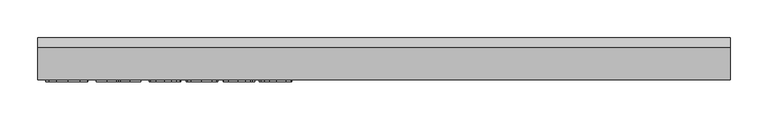
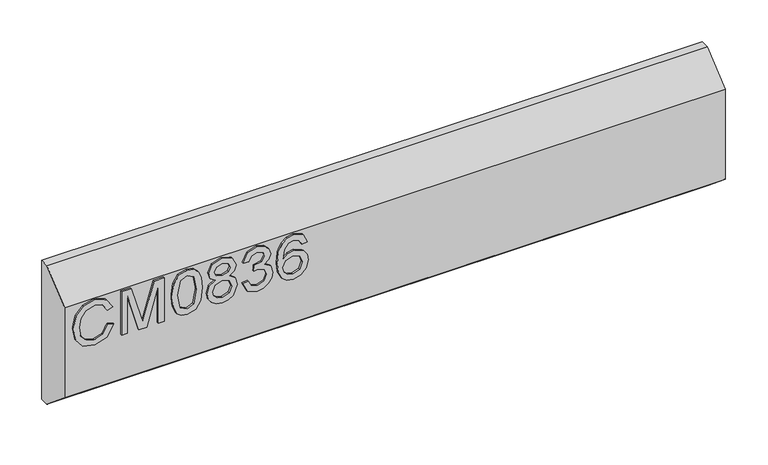
"""IFC4 building model written with IfcOpenShell, lengths in millimetres: furniture geometry."""

import ifcopenshell
import ifcopenshell.guid

model = None  # the IFC model being written
_history = None  # IfcOwnerHistory: only IFC2X3 demands one
_inside = {}  # id of a spatial element -> (the spatial element, [elements in it])
_under = {}  # id of a project, library or spatial element -> (it, [spatial elements below it])
_declared = {}  # id of a project -> (the project, [libraries it declares])
_typed = {}  # id of a type object -> (the type object, [elements of that type])
_made_of = {}  # id of a material, layer set ... -> (it, [elements and type objects made of it])


def new_model(schema):
    """Start an empty IFC model of exactly this schema.

    Asked for "IFC4X3", IfcOpenShell would pick the latest addendum, in which some entities
    have other attributes; the version numbers below select the first issue.
    IFC2X3 requires an IfcOwnerHistory on every rooted entity: one is made here for all.
    """
    global model, _history
    if schema == "IFC4X3":
        model = ifcopenshell.file(schema_version=(4, 3, 0, 0))
    else:
        model = ifcopenshell.file(schema=schema)
    _inside.clear()
    _under.clear()
    _declared.clear()
    _typed.clear()
    _made_of.clear()
    _history = None
    if model.schema == "IFC2X3":
        org = make("IfcOrganization", Name="unknown")
        user = make(
            "IfcPersonAndOrganization",
            ThePerson=make("IfcPerson", FamilyName="unknown"),
            TheOrganization=org,
        )
        app = make(
            "IfcApplication",
            ApplicationDeveloper=org,
            Version="unknown",
            ApplicationFullName="unknown",
            ApplicationIdentifier="unknown",
        )
        _history = make(
            "IfcOwnerHistory",
            OwningUser=user,
            OwningApplication=app,
            ChangeAction="ADDED",
            CreationDate=0,
        )
    return model


def make(cls, **values):
    """One entity of the class cls with the attributes given. An attribute that is None is left unset."""
    return model.create_entity(
        cls, **{name: value for name, value in values.items() if value is not None}
    )


def rooted(cls, **values):
    """An entity with a GlobalId (a new one), such as an element, a storey or a relation."""
    return make(cls, GlobalId=ifcopenshell.guid.new(), OwnerHistory=_history, **values)


def si_unit(unit_type, name, prefix=None):
    """IfcSIUnit, for example si_unit("LENGTHUNIT", "METRE", prefix="MILLI")."""
    return make("IfcSIUnit", UnitType=unit_type, Prefix=prefix, Name=name)


def assignment(units):
    """IfcUnitAssignment: the units of a project."""
    return None if units is None else make("IfcUnitAssignment", Units=units)


def point(xyz):
    """IfcCartesianPoint."""
    return None if xyz is None else make("IfcCartesianPoint", Coordinates=xyz)


def direction(xyz):
    """IfcDirection."""
    return None if xyz is None else make("IfcDirection", DirectionRatios=xyz)


def frame(location, z_axis=None, x_axis=None):
    """IfcAxis2Placement3D, a coordinate frame: its origin and axes. An axis left out is left unset."""
    return make(
        "IfcAxis2Placement3D",
        Location=point(location),
        Axis=direction(z_axis),
        RefDirection=direction(x_axis),
    )


def origin():
    """The frame at (0, 0, 0) with its axes left unset."""
    return frame((0.0, 0.0, 0.0))


def place(relative_to, where):
    """IfcLocalPlacement: puts the frame where relative to a parent placement (None: the world)."""
    return make(
        "IfcLocalPlacement", PlacementRelTo=relative_to, RelativePlacement=where
    )


def context(
    kind, dimensions, precision=None, world=None, true_north=None, identifier=None
):
    """IfcGeometricRepresentationContext, for example the 3D "Model" context."""
    return make(
        "IfcGeometricRepresentationContext",
        ContextIdentifier=identifier,
        ContextType=kind,
        CoordinateSpaceDimension=dimensions,
        Precision=precision,
        WorldCoordinateSystem=world,
        TrueNorth=true_north,
    )


def project(units=None, contexts=None):
    """IfcProject with its units and contexts."""
    return rooted(
        "IfcProject",
        Name="project",
        RepresentationContexts=contexts,
        UnitsInContext=assignment(units),
    )


def spatial(cls, under=None, at=None, **own):
    """A site, building, storey or space (cls), placed at a placement, below another one or the project."""
    s = rooted(cls, ObjectPlacement=at, **own)
    if under is not None:
        _under.setdefault(under.id(), (under, []))[1].append(s)
    return s


def polyline(points):
    """IfcPolyline through the points."""
    return make("IfcPolyline", Points=[point(p) for p in points])


def outline(outer, holes=None, kind="AREA"):
    """IfcArbitraryClosedProfileDef: a profile drawn as a closed curve; with holes, ...WithVoids."""
    if holes is None:
        return make("IfcArbitraryClosedProfileDef", ProfileType=kind, OuterCurve=outer)
    return make(
        "IfcArbitraryProfileDefWithVoids",
        ProfileType=kind,
        OuterCurve=outer,
        InnerCurves=holes,
    )


def extrude(swept, where, along, depth):
    """IfcExtrudedAreaSolid: the profile swept, set in the frame where, extruded along a direction by depth."""
    return make(
        "IfcExtrudedAreaSolid",
        SweptArea=swept,
        Position=where,
        ExtrudedDirection=direction(along),
        Depth=depth,
    )


def shape(context_of_items, identifier, shape_type, items):
    """IfcShapeRepresentation: the items that make up one representation, for example the "Body"."""
    return make(
        "IfcShapeRepresentation",
        ContextOfItems=context_of_items,
        RepresentationIdentifier=identifier,
        RepresentationType=shape_type,
        Items=items,
    )


def source(mapping_origin, context_of_items, identifier, shape_type, items):
    """IfcRepresentationMap: a shape defined once, which mapped items show again and again."""
    return make(
        "IfcRepresentationMap",
        MappingOrigin=mapping_origin,
        MappedRepresentation=shape(context_of_items, identifier, shape_type, items),
    )


def transform(
    local_origin,
    x_axis=None,
    y_axis=None,
    z_axis=None,
    scale=None,
    scale2=None,
    scale3=None,
    uniform=True,
):
    """IfcCartesianTransformationOperator3D, or its non-uniform kind. x_axis, y_axis, z_axis: its Axis1, 2, 3."""
    if uniform:
        return make(
            "IfcCartesianTransformationOperator3D",
            Axis1=direction(x_axis),
            Axis2=direction(y_axis),
            LocalOrigin=point(local_origin),
            Scale=scale,
            Axis3=direction(z_axis),
        )
    return make(
        "IfcCartesianTransformationOperator3DnonUniform",
        Axis1=direction(x_axis),
        Axis2=direction(y_axis),
        LocalOrigin=point(local_origin),
        Scale=scale,
        Axis3=direction(z_axis),
        Scale2=scale2,
        Scale3=scale3,
    )


def mapped(mapping_source, mapping_target):
    """IfcMappedItem: shows the shape of a source again, moved by a transform."""
    return make(
        "IfcMappedItem", MappingSource=mapping_source, MappingTarget=mapping_target
    )


def made_of(thing, what):
    """Note that an element or type object is made of a material, layer set ...; save() writes the relation."""
    if what is not None:
        _made_of.setdefault(what.id(), (what, []))[1].append(thing)
    return thing


def element(
    cls,
    number,
    at=None,
    inside=None,
    cuts=None,
    type_object=None,
    material=None,
    context=None,
    identifier="Body",
    shape_type=None,
    held_by="IfcProductDefinitionShape",
    body=None,
    shapes=None,
    **own,
):
    """One element of the class cls, such as IfcWall. Its Tag is "e" and its number.

    at: its placement. inside: the storey or other place that contains it. cuts: it is an
    opening in that element (IfcRelVoidsElement). A single representation is given by context,
    identifier, shape_type and body (its items); several are given by shapes. held_by: the class
    of the entity that holds the representations. save() writes the other relations.
    """
    e = rooted(cls, Tag="e%d" % number, ObjectPlacement=at, **own)
    if body is not None:
        shapes = [shape(context, identifier, shape_type, body)]
    if shapes is not None:
        e.Representation = make(held_by, Representations=shapes)
    if inside is not None:
        _inside.setdefault(inside.id(), (inside, []))[1].append(e)
    if cuts is not None:
        rooted(
            "IfcRelVoidsElement", RelatingBuildingElement=cuts, RelatedOpeningElement=e
        )
    if type_object is not None:
        _typed.setdefault(type_object.id(), (type_object, []))[1].append(e)
    return made_of(e, material)


def aggregate(whole, parts):
    """IfcRelAggregates: a whole, such as a stair, and the parts it consists of."""
    return rooted("IfcRelAggregates", RelatingObject=whole, RelatedObjects=parts)


def save(model, path):
    """Write the relations noted so far, then the file.

    IfcRelAggregates (storeys below a building ...), IfcRelContainedInSpatialStructure (elements
    in a storey), IfcRelDefinesByType, IfcRelAssociatesMaterial and IfcRelDeclares: one each for
    every whole, place, type object, material and project.
    """
    for whole, parts in _under.values():
        aggregate(whole, parts)
    for where, things in _inside.values():
        rooted(
            "IfcRelContainedInSpatialStructure",
            RelatedElements=things,
            RelatingStructure=where,
        )
    for kind, things in _typed.values():
        rooted("IfcRelDefinesByType", RelatedObjects=things, RelatingType=kind)
    for what, things in _made_of.values():
        rooted("IfcRelAssociatesMaterial", RelatedObjects=things, RelatingMaterial=what)
    for by, libraries in _declared.values():
        rooted("IfcRelDeclares", RelatingContext=by, RelatedDefinitions=libraries)
    model.write(path)


def furniture_3e6e2105(model_context):
    return source(origin(), model_context, "Body", "SweptSolid", [
        extrude(outline(polyline([(276.6752652, -246.6208225), (264.9327171, -253.3875826), (260.9770047, -265.5895539), (263.8814943, -276.5923526), (272.657258, -284.0832884), (286.3932359, -286.4894206), (298.2447997, -284.4570565), (307.4021183, -277.4099703), (310.8127523, -264.9354597), (307.7369522, -254.1584793), (297.9333263, -247.6175374), (299.8333141, -239.6438178), (313.8184708, -248.6531866), (318.7864719, -264.6239863), (314.947562, -279.9484787), (303.7111582, -290.6865249), (286.3776623, -294.4631402), (269.3244924, -291.1225877), (257.1926026, -281.3890433), (253.003285, -264.7952967), (258.5397251, -248.1003212), (274.6195406, -238.6471029), (276.6752652, -246.6208225)])), frame((0.0, -48.4187439, 0.0), z_axis=(0.0, 1.0, 0.0), x_axis=(0.0, 0.0, 1.0)), (0.0, 0.0, 1.0), 2.38125),
        extrude(outline(polyline([(254.0, -227.6832384), (254.0, -219.7095188), (309.8160373, -219.7095188), (254.0, -203.6842112), (254.0, -192.8760834), (309.8160373, -176.8507758), (254.0, -176.8507758), (254.0, -168.8770562), (317.7897569, -168.8770562), (317.7897569, -182.5974605), (273.607252, -195.4301655), (263.4376447, -198.2801473), (272.8285684, -200.9120977), (317.7897569, -213.9628341), (317.7897569, -227.6832384), (254.0, -227.6832384)])), frame((0.0, -48.4187439, 0.0), z_axis=(0.0, 1.0, 0.0), x_axis=(0.0, 0.0, 1.0)), (0.0, 0.0, 1.0), 2.38125),
        extrude(outline(polyline([(285.3809473, -157.9131917), (269.8656775, -156.3246773), (259.0770168, -151.5591339), (254.521718, -145.2673708), (253.003285, -136.9821777), (256.4995742, -125.3097112), (267.1052443, -118.3716407), (285.3809473, -116.0511637), (300.3706058, -117.4995152), (309.8082505, -121.2371962), (315.7340324, -127.6691224), (317.7897569, -136.9821777), (314.3168283, -148.6079232), (303.7345188, -155.5693542), (285.3809473, -157.9131917)]), holes=[polyline([(285.396521, -149.9394721), (305.5488514, -146.0772017), (309.8160373, -137.0756198), (304.9726256, -127.6379751), (285.396521, -124.0248834), (265.6101718, -127.7625644), (260.9770047, -136.9821777), (265.5945982, -146.201791), (285.396521, -149.9394721)])]), frame((0.0, -48.4187439, 0.0), z_axis=(0.0, 1.0, 0.0), x_axis=(0.0, 0.0, 1.0)), (0.0, 0.0, 1.0), 2.38125),
        extrude(outline(polyline([(289.1342021, -97.4562004), (283.3407964, -106.0528669), (272.7818474, -109.0741591), (265.0242125, -107.6335945), (258.6643145, -103.3119008), (254.4185424, -96.6385827), (253.003285, -88.1431451), (254.4127023, -79.6477075), (258.640954, -72.9743894), (272.563816, -67.2121311), (282.8813731, -70.1166207), (289.1342021, -78.5964847), (294.063269, -71.5338248), (301.5775653, -69.205561), (313.0709346, -74.4383145), (317.7897569, -88.2521608), (313.1799503, -101.9414177), (301.7955967, -107.0807292), (294.0866295, -104.721318), (289.1342021, -97.4562004)]), holes=[polyline([(301.5619916, -99.1070095), (307.3865446, -96.2336672), (309.8160373, -88.1431451), (307.3320368, -80.0759834), (301.2037972, -77.1792806), (295.2858022, -79.9825414), (292.8718831, -88.049703), (295.3013758, -96.2803882), (301.5619916, -99.1070095)]), polyline([(273.0621735, -101.1004395), (281.5186769, -97.7287397), (284.8981635, -88.3456028), (281.4719559, -78.6899267), (272.8129947, -75.1858507), (264.3175571, -78.580911), (260.9770047, -88.0808504), (262.5655191, -95.0578551), (267.0585232, -99.7688906), (273.0621735, -101.1004395)])]), frame((0.0, -48.4187439, 0.0), z_axis=(0.0, 1.0, 0.0), x_axis=(0.0, 0.0, 1.0)), (0.0, 0.0, 1.0), 2.38125),
        extrude(outline(polyline([(270.9441542, -60.2351264), (258.0024335, -53.8966423), (253.003285, -39.9114856), (254.4672101, -31.3887941), (258.8589854, -24.4779775), (265.3532063, -19.8993182), (273.1244681, -18.3730984), (283.4965331, -21.425538), (288.947318, -30.1156464), (294.2267925, -23.5747046), (301.5775653, -21.3632433), (309.6213664, -23.6915071), (315.6016562, -30.419333), (317.7897569, -40.036075), (313.3512607, -52.7130433), (300.8456028, -59.2384115), (299.8488878, -51.2646918), (307.3242499, -47.3557004), (309.8160373, -39.7557489), (307.3476105, -32.2492394), (301.1103552, -29.3369629), (294.0710558, -33.35497), (291.8751682, -43.680314), (283.9014486, -44.5680133), (284.7735742, -38.9770653), (281.51089, -29.9131887), (273.2646312, -26.346818), (264.512228, -29.9443361), (260.9770047, -39.6311595), (263.5466604, -47.8618447), (271.9408691, -52.2614068), (270.9441542, -60.2351264)])), frame((0.0, -48.4187439, 0.0), z_axis=(0.0, 1.0, 0.0), x_axis=(0.0, 0.0, 1.0)), (0.0, 0.0, 1.0), 2.38125),
        extrude(outline(polyline([(300.8456028, 29.4692193), (313.288966, 23.5823716), (317.7897569, 10.9832717), (315.9715308, 1.7286176), (310.5168525, -5.415804), (299.6581103, -10.6485575), (283.7768592, -12.3928087), (269.6515395, -10.8218146), (260.1671738, -6.1088324), (254.7942572, 1.0959372), (253.003285, 10.1422934), (255.705317, 20.5922268), (263.4921526, 27.8339838), (274.4949512, 30.4659342), (282.6672351, 29.0681973), (289.1809231, 24.8749863), (294.865313, 11.3258924), (292.7862279, 2.6124234), (286.4243833, -4.4190891), (300.6353582, -2.1531199), (307.8849021, 3.2898781), (309.8160373, 10.4849142), (306.4988454, 18.4742075), (299.8488878, 21.4954997), (300.8456028, 29.4692193)]), holes=[polyline([(274.6195406, -4.4190891), (283.50432, -0.4555898), (286.8915934, 9.1922995), (283.50432, 18.9647781), (274.2301988, 22.4922146), (264.5433754, 18.9180571), (260.9770047, 9.5193466), (262.6978953, 2.3320974), (267.7126174, -2.5736091), (274.6195406, -4.4190891)])]), frame((0.0, -48.4187439, 0.0), z_axis=(0.0, 1.0, 0.0), x_axis=(0.0, 0.0, 1.0)), (0.0, 0.0, 1.0), 2.38125),
        extrude(outline(polyline([(9.5250061, 152.4), (-3.1749939, 152.4), (-46.0374939, 188.12002), (-46.0374939, 319.87998), (-3.1749939, 355.6), (9.5250061, 355.6), (9.5250061, 152.4)])), frame((-304.8, 0.0, 0.0), z_axis=(1.0, 0.0, 0.0), x_axis=(0.0, 1.0, 0.0)), (0.0, 0.0, 1.0), 914.4),
    ])


if __name__ == "__main__":
    model = new_model("IFC4")
    model_context = context("Model", 3, world=origin())
    ifc_project = project(units=[si_unit("LENGTHUNIT", "METRE", prefix="MILLI")], contexts=[model_context])
    site = spatial("IfcSite", under=ifc_project)
    building = spatial("IfcBuilding", under=site)
    placement = place(None, origin())
    furniture_shape = furniture_3e6e2105(model_context)
    element("IfcFurniture", 1, at=placement, inside=building, context=model_context, shape_type="MappedRepresentation", body=[
        mapped(furniture_shape, transform((0.0, 0.0, 0.0), x_axis=(1.0, 0.0, 0.0), y_axis=(0.0, 1.0, 0.0), z_axis=(0.0, 0.0, 1.0))),
    ])
    save(model, "model.ifc")
